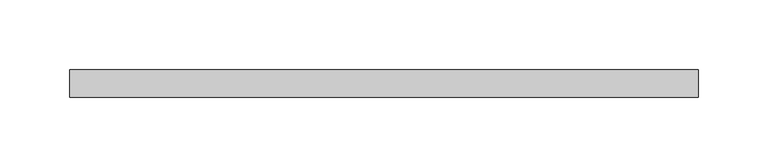
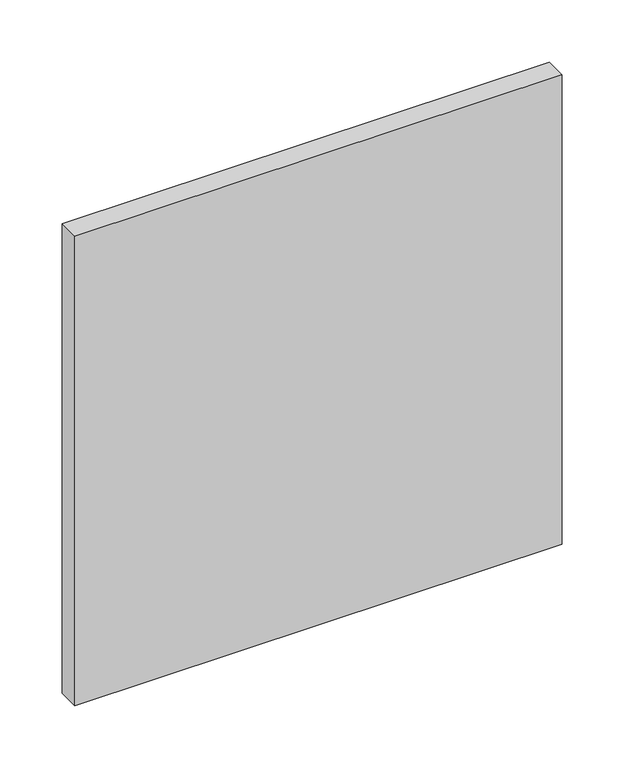
"""IFC4 building model written with IfcOpenShell, lengths in millimetres: plate geometry."""

import ifcopenshell
import ifcopenshell.guid

model = None  # the IFC model being written
_history = None  # IfcOwnerHistory: only IFC2X3 demands one
_inside = {}  # id of a spatial element -> (the spatial element, [elements in it])
_under = {}  # id of a project, library or spatial element -> (it, [spatial elements below it])
_declared = {}  # id of a project -> (the project, [libraries it declares])
_typed = {}  # id of a type object -> (the type object, [elements of that type])
_made_of = {}  # id of a material, layer set ... -> (it, [elements and type objects made of it])


def new_model(schema):
    """Start an empty IFC model of exactly this schema.

    Asked for "IFC4X3", IfcOpenShell would pick the latest addendum, in which some entities
    have other attributes; the version numbers below select the first issue.
    IFC2X3 requires an IfcOwnerHistory on every rooted entity: one is made here for all.
    """
    global model, _history
    if schema == "IFC4X3":
        model = ifcopenshell.file(schema_version=(4, 3, 0, 0))
    else:
        model = ifcopenshell.file(schema=schema)
    _inside.clear()
    _under.clear()
    _declared.clear()
    _typed.clear()
    _made_of.clear()
    _history = None
    if model.schema == "IFC2X3":
        org = make("IfcOrganization", Name="unknown")
        user = make(
            "IfcPersonAndOrganization",
            ThePerson=make("IfcPerson", FamilyName="unknown"),
            TheOrganization=org,
        )
        app = make(
            "IfcApplication",
            ApplicationDeveloper=org,
            Version="unknown",
            ApplicationFullName="unknown",
            ApplicationIdentifier="unknown",
        )
        _history = make(
            "IfcOwnerHistory",
            OwningUser=user,
            OwningApplication=app,
            ChangeAction="ADDED",
            CreationDate=0,
        )
    return model


def make(cls, **values):
    """One entity of the class cls with the attributes given. An attribute that is None is left unset."""
    return model.create_entity(
        cls, **{name: value for name, value in values.items() if value is not None}
    )


def rooted(cls, **values):
    """An entity with a GlobalId (a new one), such as an element, a storey or a relation."""
    return make(cls, GlobalId=ifcopenshell.guid.new(), OwnerHistory=_history, **values)


def si_unit(unit_type, name, prefix=None):
    """IfcSIUnit, for example si_unit("LENGTHUNIT", "METRE", prefix="MILLI")."""
    return make("IfcSIUnit", UnitType=unit_type, Prefix=prefix, Name=name)


def assignment(units):
    """IfcUnitAssignment: the units of a project."""
    return None if units is None else make("IfcUnitAssignment", Units=units)


def point(xyz):
    """IfcCartesianPoint."""
    return None if xyz is None else make("IfcCartesianPoint", Coordinates=xyz)


def direction(xyz):
    """IfcDirection."""
    return None if xyz is None else make("IfcDirection", DirectionRatios=xyz)


def frame(location, z_axis=None, x_axis=None):
    """IfcAxis2Placement3D, a coordinate frame: its origin and axes. An axis left out is left unset."""
    return make(
        "IfcAxis2Placement3D",
        Location=point(location),
        Axis=direction(z_axis),
        RefDirection=direction(x_axis),
    )


def origin():
    """The frame at (0, 0, 0) with its axes left unset."""
    return frame((0.0, 0.0, 0.0))


def origin_with_axes():
    """The frame at (0, 0, 0) with the z axis (0, 0, 1) and the x axis (1, 0, 0) written out."""
    return frame((0.0, 0.0, 0.0), z_axis=(0.0, 0.0, 1.0), x_axis=(1.0, 0.0, 0.0))


def place(relative_to, where):
    """IfcLocalPlacement: puts the frame where relative to a parent placement (None: the world)."""
    return make(
        "IfcLocalPlacement", PlacementRelTo=relative_to, RelativePlacement=where
    )


def context(
    kind, dimensions, precision=None, world=None, true_north=None, identifier=None
):
    """IfcGeometricRepresentationContext, for example the 3D "Model" context."""
    return make(
        "IfcGeometricRepresentationContext",
        ContextIdentifier=identifier,
        ContextType=kind,
        CoordinateSpaceDimension=dimensions,
        Precision=precision,
        WorldCoordinateSystem=world,
        TrueNorth=true_north,
    )


def project(units=None, contexts=None):
    """IfcProject with its units and contexts."""
    return rooted(
        "IfcProject",
        Name="project",
        RepresentationContexts=contexts,
        UnitsInContext=assignment(units),
    )


def spatial(cls, under=None, at=None, **own):
    """A site, building, storey or space (cls), placed at a placement, below another one or the project."""
    s = rooted(cls, ObjectPlacement=at, **own)
    if under is not None:
        _under.setdefault(under.id(), (under, []))[1].append(s)
    return s


def polyline(points):
    """IfcPolyline through the points."""
    return make("IfcPolyline", Points=[point(p) for p in points])


def outline(outer, holes=None, kind="AREA"):
    """IfcArbitraryClosedProfileDef: a profile drawn as a closed curve; with holes, ...WithVoids."""
    if holes is None:
        return make("IfcArbitraryClosedProfileDef", ProfileType=kind, OuterCurve=outer)
    return make(
        "IfcArbitraryProfileDefWithVoids",
        ProfileType=kind,
        OuterCurve=outer,
        InnerCurves=holes,
    )


def extrude(swept, where, along, depth):
    """IfcExtrudedAreaSolid: the profile swept, set in the frame where, extruded along a direction by depth."""
    return make(
        "IfcExtrudedAreaSolid",
        SweptArea=swept,
        Position=where,
        ExtrudedDirection=direction(along),
        Depth=depth,
    )


def shape(context_of_items, identifier, shape_type, items):
    """IfcShapeRepresentation: the items that make up one representation, for example the "Body"."""
    return make(
        "IfcShapeRepresentation",
        ContextOfItems=context_of_items,
        RepresentationIdentifier=identifier,
        RepresentationType=shape_type,
        Items=items,
    )


def source(mapping_origin, context_of_items, identifier, shape_type, items):
    """IfcRepresentationMap: a shape defined once, which mapped items show again and again."""
    return make(
        "IfcRepresentationMap",
        MappingOrigin=mapping_origin,
        MappedRepresentation=shape(context_of_items, identifier, shape_type, items),
    )


def transform(
    local_origin,
    x_axis=None,
    y_axis=None,
    z_axis=None,
    scale=None,
    scale2=None,
    scale3=None,
    uniform=True,
):
    """IfcCartesianTransformationOperator3D, or its non-uniform kind. x_axis, y_axis, z_axis: its Axis1, 2, 3."""
    if uniform:
        return make(
            "IfcCartesianTransformationOperator3D",
            Axis1=direction(x_axis),
            Axis2=direction(y_axis),
            LocalOrigin=point(local_origin),
            Scale=scale,
            Axis3=direction(z_axis),
        )
    return make(
        "IfcCartesianTransformationOperator3DnonUniform",
        Axis1=direction(x_axis),
        Axis2=direction(y_axis),
        LocalOrigin=point(local_origin),
        Scale=scale,
        Axis3=direction(z_axis),
        Scale2=scale2,
        Scale3=scale3,
    )


def mapped(mapping_source, mapping_target):
    """IfcMappedItem: shows the shape of a source again, moved by a transform."""
    return make(
        "IfcMappedItem", MappingSource=mapping_source, MappingTarget=mapping_target
    )


def made_of(thing, what):
    """Note that an element or type object is made of a material, layer set ...; save() writes the relation."""
    if what is not None:
        _made_of.setdefault(what.id(), (what, []))[1].append(thing)
    return thing


def element(
    cls,
    number,
    at=None,
    inside=None,
    cuts=None,
    type_object=None,
    material=None,
    context=None,
    identifier="Body",
    shape_type=None,
    held_by="IfcProductDefinitionShape",
    body=None,
    shapes=None,
    **own,
):
    """One element of the class cls, such as IfcWall. Its Tag is "e" and its number.

    at: its placement. inside: the storey or other place that contains it. cuts: it is an
    opening in that element (IfcRelVoidsElement). A single representation is given by context,
    identifier, shape_type and body (its items); several are given by shapes. held_by: the class
    of the entity that holds the representations. save() writes the other relations.
    """
    e = rooted(cls, Tag="e%d" % number, ObjectPlacement=at, **own)
    if body is not None:
        shapes = [shape(context, identifier, shape_type, body)]
    if shapes is not None:
        e.Representation = make(held_by, Representations=shapes)
    if inside is not None:
        _inside.setdefault(inside.id(), (inside, []))[1].append(e)
    if cuts is not None:
        rooted(
            "IfcRelVoidsElement", RelatingBuildingElement=cuts, RelatedOpeningElement=e
        )
    if type_object is not None:
        _typed.setdefault(type_object.id(), (type_object, []))[1].append(e)
    return made_of(e, material)


def aggregate(whole, parts):
    """IfcRelAggregates: a whole, such as a stair, and the parts it consists of."""
    return rooted("IfcRelAggregates", RelatingObject=whole, RelatedObjects=parts)


def save(model, path):
    """Write the relations noted so far, then the file.

    IfcRelAggregates (storeys below a building ...), IfcRelContainedInSpatialStructure (elements
    in a storey), IfcRelDefinesByType, IfcRelAssociatesMaterial and IfcRelDeclares: one each for
    every whole, place, type object, material and project.
    """
    for whole, parts in _under.values():
        aggregate(whole, parts)
    for where, things in _inside.values():
        rooted(
            "IfcRelContainedInSpatialStructure",
            RelatedElements=things,
            RelatingStructure=where,
        )
    for kind, things in _typed.values():
        rooted("IfcRelDefinesByType", RelatedObjects=things, RelatingType=kind)
    for what, things in _made_of.values():
        rooted("IfcRelAssociatesMaterial", RelatedObjects=things, RelatingMaterial=what)
    for by, libraries in _declared.values():
        rooted("IfcRelDeclares", RelatingContext=by, RelatedDefinitions=libraries)
    model.write(path)


def plate_da54e83f(model_context):
    return source(origin(), model_context, "Body", "SweptSolid", [
        extrude(outline(polyline([(226.25, 70.0), (-226.25, 70.0), (-226.25, 90.0), (226.25, 90.0), (226.25, 70.0)])), origin_with_axes(), (0.0, 0.0, 1.0), 461.0),
    ])


if __name__ == "__main__":
    model = new_model("IFC4")
    model_context = context("Model", 3, world=origin())
    ifc_project = project(units=[si_unit("LENGTHUNIT", "METRE", prefix="MILLI")], contexts=[model_context])
    site = spatial("IfcSite", under=ifc_project)
    building = spatial("IfcBuilding", under=site)
    placement = place(None, origin())
    plate_shape = plate_da54e83f(model_context)
    element("IfcPlate", 1, at=placement, inside=building, context=model_context, shape_type="MappedRepresentation", body=[
        mapped(plate_shape, transform((0.0, 0.0, 0.0), x_axis=(1.0, 0.0, 0.0), y_axis=(0.0, 1.0, 0.0), z_axis=(0.0, 0.0, 1.0))),
    ])
    save(model, "model.ifc")
